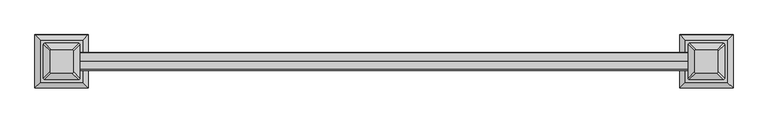
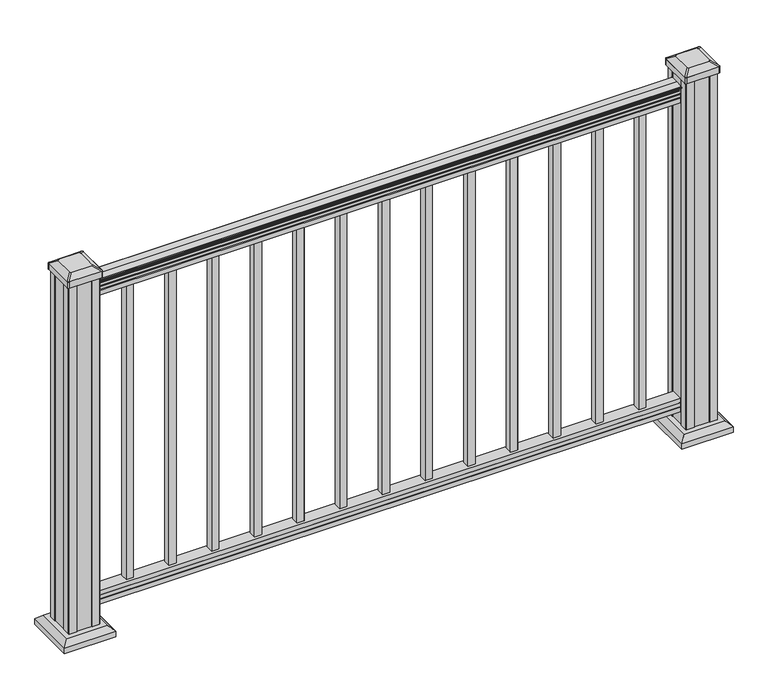
"""IFC4 building model written with IfcOpenShell, lengths in millimetres: railing geometry."""

from ifc_helpers import new_model, si_unit, point, frame, frame_2d, origin, origin_with_axes, place, context, project, spatial, polyline, circle_curve, trimmed, segment, composite_curve, outline, extrude, faceted_brep, source, transform, mapped, element, save
from ifc_brep_helpers import plane_surface, cylinder_surface, revolved_surface, extruded_surface, advanced_brep


def railing_a5a0e3ba(model_context):
    return source(origin(), model_context, "Body", "SolidModel", [
        advanced_brep(
        [(20175.9022099, -5768.9092591, 938.4043297), (20175.9022099, -5768.9092591, 940.292412), (20175.9022099, -5767.7790728, 941.8546695), (20175.9022099, -5767.7790728, 949.0726458), (20175.9022099, -5768.4283292, 951.5060812), (20175.9022099, -5765.9283292, 955.8362083), (20175.9022099, -5764.5189868, 957.5157972), (20175.9022099, -5764.1170878, 958.6205318), (20175.9022099, -5764.1170879, 959.9608158), (20175.9022099, -5765.6705351, 961.514263), (20175.9022099, -5786.3420879, 961.514263), (20175.9022099, -5807.0136406, 961.514263), (20175.9022099, -5808.5670879, 959.9608158), (20175.9022099, -5808.5670879, 958.6205318), (20175.9022099, -5808.1651889, 957.5157972), (20175.9022099, -5806.7558465, 955.8362083), (20175.9022099, -5804.2558465, 951.5060812), (20175.9022099, -5804.9051029, 949.0726458), (20175.9022099, -5804.9051029, 941.8546695), (20175.9022099, -5803.7749166, 940.292412), (20175.9022099, -5803.7749166, 938.4043297), (20175.9022099, -5801.2010879, 938.4043297), (20175.9022099, -5801.2010879, 927.9048283), (20175.9022099, -5802.2170879, 926.8888283), (20175.9022099, -5802.2170879, 914.4), (20175.9022099, -5770.4670879, 914.4), (20175.9022099, -5770.4670879, 926.731013), (20175.9022099, -5771.4830879, 927.747013), (20175.9022099, -5771.4830879, 938.4043297), (18651.9022099, -5768.9092591, 938.4043297), (18651.9022099, -5771.4830879, 938.4043297), (18651.9022099, -5771.4830879, 927.747013), (18651.9022099, -5770.4670879, 926.731013), (18651.9022099, -5770.4670879, 914.4), (18651.9022099, -5802.2170879, 914.4), (18651.9022099, -5802.2170879, 926.8888283), (18651.9022099, -5801.2010879, 927.9048283), (18651.9022099, -5801.2010879, 938.4043297), (18651.9022099, -5803.7749166, 938.4043297), (18651.9022099, -5803.7749166, 940.292412), (18651.9022099, -5804.9051029, 941.8546695), (18651.9022099, -5804.9051029, 949.0726458), (18651.9022099, -5804.2558465, 951.5060812), (18651.9022099, -5806.7558465, 955.8362083), (18651.9022099, -5808.1651889, 957.5157972), (18651.9022099, -5808.5670879, 958.6205318), (18651.9022099, -5808.5670879, 959.9608158), (18651.9022099, -5807.0136406, 961.514263), (18651.9022099, -5786.3420879, 961.514263), (18651.9022099, -5765.6705351, 961.514263), (18651.9022099, -5764.1170879, 959.9608158), (18651.9022099, -5764.1170879, 958.6205318), (18651.9022099, -5764.5189868, 957.5157972), (18651.9022099, -5765.9283292, 955.8362083), (18651.9022099, -5768.4283292, 951.5060812), (18651.9022099, -5767.7790728, 949.0726458), (18651.9022099, -5767.7790728, 941.8546695), (18651.9022099, -5768.9092591, 940.292412)],
        [
            (0, 1),
            (1, 2, circle_curve(frame((20175.9022099, -5775.2240124, 946.0506383), z_axis=(1.0, 0.0, 0.0), x_axis=(0.0, -1.0, 0.0)), 8.545951)),
            (2, 3, circle_curve(frame((20175.9022099, -5774.7869494, 945.4636577), z_axis=(1.0, 0.0, 0.0), x_axis=(0.0, -1.0, 0.0)), 7.882584)),
            (3, 4, circle_curve(frame((20175.9022099, -5764.2736253, 951.3112527), z_axis=(-1.0, 0.0, 0.0), x_axis=(0.0, -1.0, 0.0)), 4.1592695)),
            (4, 5, circle_curve(frame((20175.9022099, -5762.9863188, 951.2508864), z_axis=(-1.0, 0.0, 0.0), x_axis=(0.0, -1.0, 0.0)), 5.4479907)),
            (5, 6, circle_curve(frame((20175.9022099, -5764.2194772, 955.833395), z_axis=(-1.0, 0.0, 0.0), x_axis=(0.0, -1.0, 0.0)), 1.7088543)),
            (6, 7, circle_curve(frame((20175.9022099, -5765.8363773, 958.6205318), z_axis=(1.0, 0.0, 0.0), x_axis=(0.0, -1.0, 0.0)), 1.7192895)),
            (7, 8),
            (8, 9, circle_curve(frame((20175.9022099, -5765.6705351, 959.9608158), z_axis=(1.0, 0.0, 0.0), x_axis=(0.0, -1.0, 0.0)), 1.5534472)),
            (9, 10),
            (10, 11),
            (11, 12, circle_curve(frame((20175.9022099, -5807.0136406, 959.9608158), z_axis=(1.0, 0.0, 0.0), x_axis=(0.0, 1.0, 0.0)), 1.5534472)),
            (12, 13),
            (13, 14, circle_curve(frame((20175.9022099, -5806.8477984, 958.6205318), z_axis=(1.0, 0.0, 0.0), x_axis=(0.0, 1.0, 0.0)), 1.7192895)),
            (14, 15, circle_curve(frame((20175.9022099, -5808.4646985, 955.833395), z_axis=(-1.0, 0.0, 0.0), x_axis=(0.0, 1.0, 0.0)), 1.7088543)),
            (15, 16, circle_curve(frame((20175.9022099, -5809.697857, 951.2508864), z_axis=(-1.0, 0.0, 0.0), x_axis=(0.0, 1.0, 0.0)), 5.4479907)),
            (16, 17, circle_curve(frame((20175.9022099, -5808.4105504, 951.3112527), z_axis=(-1.0, 0.0, 0.0), x_axis=(0.0, 1.0, 0.0)), 4.1592695)),
            (17, 18, circle_curve(frame((20175.9022099, -5797.8972263, 945.4636577), z_axis=(1.0, 0.0, 0.0), x_axis=(0.0, 1.0, 0.0)), 7.882584)),
            (18, 19, circle_curve(frame((20175.9022099, -5797.4601633, 946.0506383), z_axis=(1.0, 0.0, 0.0), x_axis=(0.0, 1.0, 0.0)), 8.545951)),
            (19, 20),
            (20, 21, circle_curve(frame((20175.9022099, -5802.4880022, 938.4043297), z_axis=(1.0, 0.0, 0.0), x_axis=(0.0, 1.0, 0.0)), 1.2869144)),
            (21, 22),
            (22, 23),
            (23, 24),
            (24, 25),
            (25, 26),
            (26, 27),
            (27, 28),
            (28, 0, circle_curve(frame((20175.9022099, -5770.1961735, 938.4043297), z_axis=(1.0, 0.0, 0.0), x_axis=(0.0, -1.0, 0.0)), 1.2869144)),
            (29, 30, circle_curve(frame((18651.9022099, -5770.1961735, 938.4043297), z_axis=(-1.0, 0.0, 0.0), x_axis=(0.0, -1.0, 0.0)), 1.2869144)),
            (30, 31),
            (31, 32),
            (32, 33),
            (33, 34),
            (34, 35),
            (35, 36),
            (36, 37),
            (37, 38, circle_curve(frame((18651.9022099, -5802.4880022, 938.4043297), z_axis=(-1.0, 0.0, 0.0), x_axis=(0.0, 1.0, 0.0)), 1.2869144)),
            (38, 39),
            (39, 40, circle_curve(frame((18651.9022099, -5797.4601633, 946.0506383), z_axis=(-1.0, 0.0, 0.0), x_axis=(0.0, 1.0, 0.0)), 8.545951)),
            (40, 41, circle_curve(frame((18651.9022099, -5797.8972263, 945.4636577), z_axis=(-1.0, 0.0, 0.0), x_axis=(0.0, 1.0, 0.0)), 7.882584)),
            (41, 42, circle_curve(frame((18651.9022099, -5808.4105504, 951.3112527), z_axis=(1.0, 0.0, 0.0), x_axis=(0.0, 1.0, 0.0)), 4.1592695)),
            (42, 43, circle_curve(frame((18651.9022099, -5809.697857, 951.2508864), z_axis=(1.0, 0.0, 0.0), x_axis=(0.0, 1.0, 0.0)), 5.4479907)),
            (43, 44, circle_curve(frame((18651.9022099, -5808.4646985, 955.833395), z_axis=(1.0, 0.0, 0.0), x_axis=(0.0, 1.0, 0.0)), 1.7088543)),
            (44, 45, circle_curve(frame((18651.9022099, -5806.8477984, 958.6205318), z_axis=(-1.0, 0.0, 0.0), x_axis=(0.0, 1.0, 0.0)), 1.7192895)),
            (45, 46),
            (46, 47, circle_curve(frame((18651.9022099, -5807.0136406, 959.9608158), z_axis=(-1.0, 0.0, 0.0), x_axis=(0.0, 1.0, 0.0)), 1.5534472)),
            (47, 48),
            (48, 49),
            (49, 50, circle_curve(frame((18651.9022099, -5765.6705351, 959.9608158), z_axis=(-1.0, 0.0, 0.0), x_axis=(0.0, -1.0, 0.0)), 1.5534472)),
            (50, 51),
            (51, 52, circle_curve(frame((18651.9022099, -5765.8363773, 958.6205318), z_axis=(-1.0, 0.0, 0.0), x_axis=(0.0, -1.0, 0.0)), 1.7192895)),
            (52, 53, circle_curve(frame((18651.9022099, -5764.2194772, 955.833395), z_axis=(1.0, 0.0, 0.0), x_axis=(0.0, -1.0, 0.0)), 1.7088543)),
            (53, 54, circle_curve(frame((18651.9022099, -5762.9863188, 951.2508864), z_axis=(1.0, 0.0, 0.0), x_axis=(0.0, -1.0, 0.0)), 5.4479907)),
            (54, 55, circle_curve(frame((18651.9022099, -5764.2736253, 951.3112527), z_axis=(1.0, 0.0, 0.0), x_axis=(0.0, -1.0, 0.0)), 4.1592695)),
            (55, 56, circle_curve(frame((18651.9022099, -5774.7869494, 945.4636577), z_axis=(-1.0, 0.0, 0.0), x_axis=(0.0, -1.0, 0.0)), 7.882584)),
            (56, 57, circle_curve(frame((18651.9022099, -5775.2240124, 946.0506383), z_axis=(-1.0, 0.0, 0.0), x_axis=(0.0, -1.0, 0.0)), 8.545951)),
            (57, 29),
            (28, 30),
            (29, 0),
            (27, 31),
            (26, 32),
            (25, 33),
            (24, 34),
            (23, 35),
            (22, 36),
            (21, 37),
            (20, 38),
            (19, 39),
            (18, 40),
            (17, 41),
            (16, 42),
            (15, 43),
            (14, 44),
            (13, 45),
            (12, 46),
            (11, 47),
            (10, 48),
            (9, 49),
            (8, 50),
            (7, 51),
            (6, 52),
            (5, 53),
            (4, 54),
            (3, 55),
            (2, 56),
            (1, 57),
        ],
        [
            plane_surface(frame((20175.9022099, -5786.3420879, 914.4), z_axis=(1.0, 0.0, 0.0), x_axis=(0.0, -1.0, 0.0))),
            plane_surface(frame((18651.9022099, -5786.3420879, 914.4), z_axis=(-1.0, 0.0, 0.0), x_axis=(0.0, -1.0, 0.0))),
            cylinder_surface(frame((20175.9022099, -5770.1961735, 938.4043297), z_axis=(1.0, 0.0, 0.0), x_axis=(0.0, -1.0, 0.0)), 1.2869144),
            plane_surface(frame((20175.9022099, -5771.4830879, 927.747013), z_axis=(0.0, 1.0, 0.0), x_axis=(-1.0, 0.0, 0.0))),
            plane_surface(frame((20175.9022099, -5770.4670879, 926.731013), z_axis=(0.0, 0.7071067811865395, 0.7071067811865556), x_axis=(-1.0, 0.0, 0.0))),
            plane_surface(frame((20175.9022099, -5770.4670879, 914.4), z_axis=(0.0, 1.0, 0.0), x_axis=(-1.0, 0.0, 0.0))),
            plane_surface(frame((20175.9022099, -5802.2170879, 914.4), z_axis=(0.0, 0.0, -1.0), x_axis=(-1.0, 0.0, 0.0))),
            plane_surface(frame((20175.9022099, -5802.2170879, 926.8888283), z_axis=(0.0, -1.0, 0.0), x_axis=(-1.0, 0.0, 0.0))),
            plane_surface(frame((20175.9022099, -5801.2010879, 927.9048283), z_axis=(0.0, -0.7071067811865432, 0.707106781186552), x_axis=(-1.0, 0.0, 0.0))),
            plane_surface(frame((20175.9022099, -5801.2010879, 938.4043297), z_axis=(0.0, -1.0, 0.0), x_axis=(-1.0, 0.0, 0.0))),
            cylinder_surface(frame((20175.9022099, -5802.4880022, 938.4043297), z_axis=(1.0, 0.0, 0.0), x_axis=(0.0, 1.0, 0.0)), 1.2869144),
            plane_surface(frame((20175.9022099, -5803.7749166, 940.292412), z_axis=(0.0, -1.0, 0.0), x_axis=(-1.0, 0.0, 0.0))),
            cylinder_surface(frame((20175.9022099, -5797.4601633, 946.0506383), z_axis=(1.0, 0.0, 0.0), x_axis=(0.0, 1.0, 0.0)), 8.545951),
            cylinder_surface(frame((20175.9022099, -5797.8972263, 945.4636577), z_axis=(1.0, 0.0, 0.0), x_axis=(0.0, 1.0, 0.0)), 7.882584),
            revolved_surface(polyline([(18651.9022099, -5804.2512809, 951.3112527), (20175.9022099, -5804.2512809, 951.3112527)]), (20175.9022099, -5808.4105504, 951.3112527), (-1.0, 0.0, 0.0)),
            revolved_surface(polyline([(18651.9022099, -5804.2498663, 951.2508864), (20175.9022099, -5804.2498663, 951.2508864)]), (20175.9022099, -5809.697857, 951.2508864), (-1.0, 0.0, 0.0)),
            revolved_surface(polyline([(18651.9022099, -5806.7558442, 955.833395), (20175.9022099, -5806.7558442, 955.833395)]), (20175.9022099, -5808.4646985, 955.833395), (-1.0, 0.0, 0.0)),
            cylinder_surface(frame((20175.9022099, -5806.8477984, 958.6205318), z_axis=(1.0, 0.0, 0.0), x_axis=(0.0, 1.0, 0.0)), 1.7192895),
            plane_surface(frame((20175.9022099, -5808.5670879, 959.9608158), z_axis=(0.0, -1.0, 0.0), x_axis=(-1.0, 0.0, 0.0))),
            cylinder_surface(frame((20175.9022099, -5807.0136406, 959.9608158), z_axis=(1.0, 0.0, 0.0), x_axis=(0.0, 1.0, 0.0)), 1.5534472),
            plane_surface(frame((20175.9022099, -5786.3420879, 961.514263), z_axis=(0.0, 0.0, 1.0), x_axis=(-1.0, 0.0, 0.0))),
            plane_surface(frame((20175.9022099, -5765.6705351, 961.514263), z_axis=(0.0, 0.0, 1.0), x_axis=(-1.0, 0.0, 0.0))),
            cylinder_surface(frame((20175.9022099, -5765.6705351, 959.9608158), z_axis=(1.0, 0.0, 0.0), x_axis=(0.0, -1.0, 0.0)), 1.5534472),
            plane_surface(frame((20175.9022099, -5764.1170879, 958.6205318), z_axis=(0.0, 1.0, 0.0), x_axis=(-1.0, 0.0, 0.0))),
            cylinder_surface(frame((20175.9022099, -5765.8363773, 958.6205318), z_axis=(1.0, 0.0, 0.0), x_axis=(0.0, -1.0, 0.0)), 1.7192895),
            revolved_surface(polyline([(18651.9022099, -5765.9283315, 955.833395), (20175.9022099, -5765.9283315, 955.833395)]), (20175.9022099, -5764.2194772, 955.833395), (-1.0, 0.0, 0.0)),
            revolved_surface(polyline([(18651.9022099, -5768.4343095, 951.2508864), (20175.9022099, -5768.4343095, 951.2508864)]), (20175.9022099, -5762.9863188, 951.2508864), (-1.0, 0.0, 0.0)),
            revolved_surface(polyline([(18651.9022099, -5768.4328948, 951.3112527), (20175.9022099, -5768.4328948, 951.3112527)]), (20175.9022099, -5764.2736253, 951.3112527), (-1.0, 0.0, 0.0)),
            cylinder_surface(frame((20175.9022099, -5774.7869494, 945.4636577), z_axis=(1.0, 0.0, 0.0), x_axis=(0.0, -1.0, 0.0)), 7.882584),
            cylinder_surface(frame((20175.9022099, -5775.2240124, 946.0506383), z_axis=(1.0, 0.0, 0.0), x_axis=(0.0, -1.0, 0.0)), 8.545951),
            plane_surface(frame((20175.9022099, -5768.9092591, 938.4043297), z_axis=(0.0, 1.0, 0.0), x_axis=(-1.0, 0.0, 0.0))),
        ],
        [
            (0, [[1, 2, 3, 4, 5, 6, 7, 8, 9, 10, 11, 12, 13, 14, 15, 16, 17, 18, 19, 20, 21, 22, 23, 24, 25, 26, 27, 28, 29]]),
            (1, [[30, 31, 32, 33, 34, 35, 36, 37, 38, 39, 40, 41, 42, 43, 44, 45, 46, 47, 48, 49, 50, 51, 52, 53, 54, 55, 56, 57, 58]]),
            (2, [[-29, 59, -30, 60]]),
            (3, [[-28, 61, -31, -59]]),
            (4, [[-27, 62, -32, -61]]),
            (5, [[-26, 63, -33, -62]]),
            (6, [[-25, 64, -34, -63]]),
            (7, [[-24, 65, -35, -64]]),
            (8, [[-23, 66, -36, -65]]),
            (9, [[-22, 67, -37, -66]]),
            (10, [[-21, 68, -38, -67]]),
            (11, [[-20, 69, -39, -68]]),
            (12, [[-19, 70, -40, -69]]),
            (13, [[-18, 71, -41, -70]]),
            (14, [[-17, 72, -42, -71]]),
            (15, [[-16, 73, -43, -72]]),
            (16, [[-15, 74, -44, -73]]),
            (17, [[-14, 75, -45, -74]]),
            (18, [[-13, 76, -46, -75]]),
            (19, [[-12, 77, -47, -76]]),
            (20, [[-11, 78, -48, -77]]),
            (21, [[-10, 79, -49, -78]]),
            (22, [[-9, 80, -50, -79]]),
            (23, [[-8, 81, -51, -80]]),
            (24, [[-7, 82, -52, -81]]),
            (25, [[-6, 83, -53, -82]]),
            (26, [[-5, 84, -54, -83]]),
            (27, [[-4, 85, -55, -84]]),
            (28, [[-3, 86, -56, -85]]),
            (29, [[-2, 87, -57, -86]]),
            (30, [[-1, -60, -58, -87]]),
        ],
    ),
        faceted_brep([(20175.9022099, -5770.429601, 76.0541976), (20175.9022099, -5771.445601, 77.3546183), (20175.9022099, -5771.445601, 87.7141717), (20175.9022099, -5770.429601, 89.0624492), (20175.9022099, -5770.429601, 101.5958781), (20175.9022099, -5802.179601, 101.5958781), (20175.9022099, -5802.179601, 89.0458024), (20175.9022099, -5801.163601, 87.6975248), (20175.9022099, -5801.163601, 77.3858283), (20175.9022099, -5802.179601, 76.0375508), (20175.9022099, -5802.179601, 63.5), (20175.9022099, -5770.429601, 63.5), (18651.9022099, -5770.429601, 76.0541976), (18651.9022099, -5770.429601, 63.5), (18651.9022099, -5802.179601, 63.5), (18651.9022099, -5802.179601, 76.0375508), (18651.9022099, -5801.163601, 77.3858283), (18651.9022099, -5801.163601, 87.6975248), (18651.9022099, -5802.179601, 89.0458024), (18651.9022099, -5802.179601, 101.5958781), (18651.9022099, -5770.429601, 101.5958781), (18651.9022099, -5770.429601, 89.0624492), (18651.9022099, -5771.445601, 87.7141717), (18651.9022099, -5771.445601, 77.3546183)], [[[0, 1, 2, 3, 4, 5, 6, 7, 8, 9, 10, 11]], [[12, 13, 14, 15, 16, 17, 18, 19, 20, 21, 22, 23]], [[0, 11, 13, 12]], [[11, 10, 14, 13]], [[10, 9, 15, 14]], [[9, 8, 16, 15]], [[8, 7, 17, 16]], [[7, 6, 18, 17]], [[6, 5, 19, 18]], [[5, 4, 20, 19]], [[4, 3, 21, 20]], [[3, 2, 22, 21]], [[2, 1, 23, 22]], [[1, 0, 12, 23]]]),
        extrude(outline(polyline([(18756.4787724, -5776.8170879), (18756.4787724, -5795.8670879), (18737.4287724, -5795.8670879), (18737.4287724, -5776.8170879), (18756.4787724, -5776.8170879)]), holes=[polyline([(18756.0818974, -5777.2139629), (18737.8256474, -5777.2139629), (18737.8256474, -5795.4702129), (18756.0818974, -5795.4702129), (18756.0818974, -5777.2139629)])]), frame((0.0, 0.0, 101.5958781), z_axis=(0.0, 0.0, 1.0), x_axis=(1.0, 0.0, 0.0)), (0.0, 0.0, 1.0), 812.8041219),
        extrude(outline(polyline([(18867.6037724, -5776.8170879), (18867.6037724, -5795.8670879), (18848.5537724, -5795.8670879), (18848.5537724, -5776.8170879), (18867.6037724, -5776.8170879)]), holes=[polyline([(18867.2068974, -5777.2139629), (18848.9506474, -5777.2139629), (18848.9506474, -5795.4702129), (18867.2068974, -5795.4702129), (18867.2068974, -5777.2139629)])]), frame((0.0, 0.0, 101.5958781), z_axis=(0.0, 0.0, 1.0), x_axis=(1.0, 0.0, 0.0)), (0.0, 0.0, 1.0), 812.8041219),
        extrude(outline(polyline([(18978.7287724, -5776.8170879), (18978.7287724, -5795.8670879), (18959.6787724, -5795.8670879), (18959.6787724, -5776.8170879), (18978.7287724, -5776.8170879)]), holes=[polyline([(18978.3318974, -5777.2139629), (18960.0756474, -5777.2139629), (18960.0756474, -5795.4702129), (18978.3318974, -5795.4702129), (18978.3318974, -5777.2139629)])]), frame((0.0, 0.0, 101.5958781), z_axis=(0.0, 0.0, 1.0), x_axis=(1.0, 0.0, 0.0)), (0.0, 0.0, 1.0), 812.8041219),
        extrude(outline(polyline([(19089.8537724, -5776.8170879), (19089.8537724, -5795.8670879), (19070.8037724, -5795.8670879), (19070.8037724, -5776.8170879), (19089.8537724, -5776.8170879)]), holes=[polyline([(19089.4568974, -5777.2139629), (19071.2006474, -5777.2139629), (19071.2006474, -5795.4702129), (19089.4568974, -5795.4702129), (19089.4568974, -5777.2139629)])]), frame((0.0, 0.0, 101.5958781), z_axis=(0.0, 0.0, 1.0), x_axis=(1.0, 0.0, 0.0)), (0.0, 0.0, 1.0), 812.8041219),
        extrude(outline(polyline([(19200.9787724, -5776.8170879), (19200.9787724, -5795.8670879), (19181.9287724, -5795.8670879), (19181.9287724, -5776.8170879), (19200.9787724, -5776.8170879)]), holes=[polyline([(19200.5818974, -5777.2139629), (19182.3256474, -5777.2139629), (19182.3256474, -5795.4702129), (19200.5818974, -5795.4702129), (19200.5818974, -5777.2139629)])]), frame((0.0, 0.0, 101.5958781), z_axis=(0.0, 0.0, 1.0), x_axis=(1.0, 0.0, 0.0)), (0.0, 0.0, 1.0), 812.8041219),
        extrude(outline(polyline([(19312.1037724, -5776.8170879), (19312.1037724, -5795.8670879), (19293.0537724, -5795.8670879), (19293.0537724, -5776.8170879), (19312.1037724, -5776.8170879)]), holes=[polyline([(19311.7068974, -5777.2139629), (19293.4506474, -5777.2139629), (19293.4506474, -5795.4702129), (19311.7068974, -5795.4702129), (19311.7068974, -5777.2139629)])]), frame((0.0, 0.0, 101.5958781), z_axis=(0.0, 0.0, 1.0), x_axis=(1.0, 0.0, 0.0)), (0.0, 0.0, 1.0), 812.8041219),
        extrude(outline(polyline([(19423.2287724, -5776.8170879), (19423.2287724, -5795.8670879), (19404.1787724, -5795.8670879), (19404.1787724, -5776.8170879), (19423.2287724, -5776.8170879)]), holes=[polyline([(19422.8318974, -5777.2139629), (19404.5756474, -5777.2139629), (19404.5756474, -5795.4702129), (19422.8318974, -5795.4702129), (19422.8318974, -5777.2139629)])]), frame((0.0, 0.0, 101.5958781), z_axis=(0.0, 0.0, 1.0), x_axis=(1.0, 0.0, 0.0)), (0.0, 0.0, 1.0), 812.8041219),
        extrude(outline(polyline([(19534.3537724, -5776.8170879), (19534.3537724, -5795.8670879), (19515.3037724, -5795.8670879), (19515.3037724, -5776.8170879), (19534.3537724, -5776.8170879)]), holes=[polyline([(19533.9568974, -5777.2139629), (19515.7006474, -5777.2139629), (19515.7006474, -5795.4702129), (19533.9568974, -5795.4702129), (19533.9568974, -5777.2139629)])]), frame((0.0, 0.0, 101.5958781), z_axis=(0.0, 0.0, 1.0), x_axis=(1.0, 0.0, 0.0)), (0.0, 0.0, 1.0), 812.8041219),
        extrude(outline(polyline([(19645.4787724, -5776.8170879), (19645.4787724, -5795.8670879), (19626.4287724, -5795.8670879), (19626.4287724, -5776.8170879), (19645.4787724, -5776.8170879)]), holes=[polyline([(19645.0818974, -5777.2139629), (19626.8256474, -5777.2139629), (19626.8256474, -5795.4702129), (19645.0818974, -5795.4702129), (19645.0818974, -5777.2139629)])]), frame((0.0, 0.0, 101.5958781), z_axis=(0.0, 0.0, 1.0), x_axis=(1.0, 0.0, 0.0)), (0.0, 0.0, 1.0), 812.8041219),
        extrude(outline(polyline([(19756.6037724, -5776.8170879), (19756.6037724, -5795.8670879), (19737.5537724, -5795.8670879), (19737.5537724, -5776.8170879), (19756.6037724, -5776.8170879)]), holes=[polyline([(19756.2068974, -5777.2139629), (19737.9506474, -5777.2139629), (19737.9506474, -5795.4702129), (19756.2068974, -5795.4702129), (19756.2068974, -5777.2139629)])]), frame((0.0, 0.0, 101.5958781), z_axis=(0.0, 0.0, 1.0), x_axis=(1.0, 0.0, 0.0)), (0.0, 0.0, 1.0), 812.8041219),
        extrude(outline(polyline([(19867.7287724, -5776.8170879), (19867.7287724, -5795.8670879), (19848.6787724, -5795.8670879), (19848.6787724, -5776.8170879), (19867.7287724, -5776.8170879)]), holes=[polyline([(19867.3318974, -5777.2139629), (19849.0756474, -5777.2139629), (19849.0756474, -5795.4702129), (19867.3318974, -5795.4702129), (19867.3318974, -5777.2139629)])]), frame((0.0, 0.0, 101.5958781), z_axis=(0.0, 0.0, 1.0), x_axis=(1.0, 0.0, 0.0)), (0.0, 0.0, 1.0), 812.8041219),
        extrude(outline(polyline([(19978.8537724, -5776.8170879), (19978.8537724, -5795.8670879), (19959.8037724, -5795.8670879), (19959.8037724, -5776.8170879), (19978.8537724, -5776.8170879)]), holes=[polyline([(19978.4568974, -5777.2139629), (19960.2006474, -5777.2139629), (19960.2006474, -5795.4702129), (19978.4568974, -5795.4702129), (19978.4568974, -5777.2139629)])]), frame((0.0, 0.0, 101.5958781), z_axis=(0.0, 0.0, 1.0), x_axis=(1.0, 0.0, 0.0)), (0.0, 0.0, 1.0), 812.8041219),
        extrude(outline(polyline([(20089.9787724, -5776.8170879), (20089.9787724, -5795.8670879), (20070.9287724, -5795.8670879), (20070.9287724, -5776.8170879), (20089.9787724, -5776.8170879)]), holes=[polyline([(20089.5818974, -5777.2139629), (20071.3256474, -5777.2139629), (20071.3256474, -5795.4702129), (20089.5818974, -5795.4702129), (20089.5818974, -5777.2139629)])]), frame((0.0, 0.0, 101.5958781), z_axis=(0.0, 0.0, 1.0), x_axis=(1.0, 0.0, 0.0)), (0.0, 0.0, 1.0), 812.8041219),
        faceted_brep([(18663.2131474, -5733.7561504, 28.575), (18558.0412724, -5733.7561504, 28.575), (18558.0412724, -5838.9280254, 28.575), (18663.2131474, -5838.9280254, 28.575), (18677.2526005, -5719.7166972, 15.24), (18677.2526005, -5852.9674785, 15.24), (18544.0018192, -5852.9674785, 15.24), (18544.0018192, -5719.7166972, 15.24)], [[[0, 1, 2, 3]], [[4, 5, 6, 7]], [[4, 0, 3, 5]], [[5, 3, 2, 6]], [[6, 2, 1, 7]], [[7, 1, 0, 4]]]),
        extrude(outline(polyline([(18677.2526005, -5719.7166972), (18677.2526005, -5852.9674785), (18544.0018192, -5852.9674785), (18544.0018192, -5719.7166972), (18677.2526005, -5719.7166972)])), origin_with_axes(), (0.0, 0.0, 1.0), 15.24),
        advanced_brep(
        [(18639.5990849, -5812.1389629, 1012.825), (18639.5990849, -5760.5452129, 1012.825), (18636.4240849, -5757.3702129, 1012.825), (18584.8303349, -5757.3702129, 1012.825), (18581.6553349, -5760.5452129, 1012.825), (18581.6553349, -5812.1389629, 1012.825), (18584.8303349, -5815.3139629, 1012.825), (18636.4240849, -5815.3139629, 1012.825), (18655.8709599, -5828.4108379, 1001.522), (18652.6959599, -5831.5858379, 1001.522), (18568.5584599, -5831.5858379, 1001.522), (18565.3834599, -5828.4108379, 1001.522), (18565.3834599, -5744.2733379, 1001.522), (18568.5584599, -5741.0983379, 1001.522), (18652.6959599, -5741.0983379, 1001.522), (18655.8709599, -5744.2733379, 1001.522)],
        [
            (0, 1),
            (1, 2, circle_curve(frame((18636.4240849, -5760.5452129, 1012.825), z_axis=(0.0, 0.0, 1.0), x_axis=(-1.0, 0.0, 0.0)), 3.175)),
            (2, 3),
            (3, 4, circle_curve(frame((18584.8303349, -5760.5452129, 1012.825), z_axis=(0.0, 0.0, 1.0), x_axis=(-1.0, 0.0, 0.0)), 3.175)),
            (4, 5),
            (5, 6, circle_curve(frame((18584.8303349, -5812.1389629, 1012.825), z_axis=(0.0, 0.0, 1.0), x_axis=(-1.0, 0.0, 0.0)), 3.175)),
            (6, 7),
            (7, 0, circle_curve(frame((18636.4240849, -5812.1389629, 1012.825), z_axis=(0.0, 0.0, 1.0), x_axis=(-1.0, 0.0, 0.0)), 3.175)),
            (8, 9, circle_curve(frame((18652.6959599, -5828.4108379, 1001.522), z_axis=(0.0, 0.0, -1.0), x_axis=(-1.0, 0.0, 0.0)), 3.175)),
            (9, 10),
            (10, 11, circle_curve(frame((18568.5584599, -5828.4108379, 1001.522), z_axis=(0.0, 0.0, -1.0), x_axis=(-1.0, 0.0, 0.0)), 3.175)),
            (11, 12),
            (12, 13, circle_curve(frame((18568.5584599, -5744.2733379, 1001.522), z_axis=(0.0, 0.0, -1.0), x_axis=(-1.0, 0.0, 0.0)), 3.175)),
            (13, 14),
            (14, 15, circle_curve(frame((18652.6959599, -5744.2733379, 1001.522), z_axis=(0.0, 0.0, -1.0), x_axis=(-1.0, 0.0, 0.0)), 3.175)),
            (15, 8),
            (8, 0),
            (7, 9),
            (6, 10),
            (5, 11),
            (4, 12),
            (3, 13),
            (2, 14),
            (1, 15),
        ],
        [
            plane_surface(frame((18610.6272099, -5786.3420879, 1012.825), z_axis=(0.0, 0.0, 1.0), x_axis=(0.0, -1.0, 0.0))),
            plane_surface(frame((18610.6272099, -5786.3420879, 1001.522), z_axis=(0.0, 0.0, -1.0), x_axis=(0.0, -1.0, 0.0))),
            extruded_surface(trimmed(circle_curve(frame((18636.4240849, -5812.1389629, 1012.825), z_axis=(0.0, 0.0, -1.0), x_axis=(-1.0, 0.0, 0.0)), 3.175), [point((18639.5990849, -5812.1389629, 1012.825))], [point((18636.4240849, -5815.3139629, 1012.825))], True, "CARTESIAN"), (16.271874999998545, -16.271875000000364, -11.302999999999997), 25.637972638865467),
            plane_surface(frame((18610.6272099, -5831.5858379, 1001.522), z_axis=(0.0, -0.5705009161540779, 0.8212969649690408), x_axis=(-1.0, 0.0, 0.0))),
            extruded_surface(trimmed(circle_curve(frame((18584.8303349, -5812.1389629, 1012.825), z_axis=(0.0, 0.0, -1.0), x_axis=(-1.0, 0.0, 0.0)), 3.175), [point((18584.8303349, -5815.3139629, 1012.825))], [point((18581.6553349, -5812.1389629, 1012.825))], True, "CARTESIAN"), (-16.271875000002183, -16.271875000000364, -11.302999999999997), 25.63797263886778),
            plane_surface(frame((18565.3834599, -5786.3420879, 1001.522), z_axis=(-0.5705009161540291, 0.0, 0.8212969649690747), x_axis=(0.0, 1.0, 0.0))),
            extruded_surface(trimmed(circle_curve(frame((18584.8303349, -5760.5452129, 1012.825), z_axis=(0.0, 0.0, -1.0), x_axis=(-1.0, 0.0, 0.0)), 3.175), [point((18581.6553349, -5760.5452129, 1012.825))], [point((18584.8303349, -5757.3702129, 1012.825))], True, "CARTESIAN"), (-16.271875000002183, 16.271874999999454, -11.302999999999997), 25.6379726388672),
            plane_surface(frame((18610.6272099, -5741.0983379, 1001.522), z_axis=(0.0, 0.5705009161540141, 0.8212969649690851), x_axis=(1.0, 0.0, 0.0))),
            extruded_surface(trimmed(circle_curve(frame((18636.4240849, -5760.5452129, 1012.825), z_axis=(0.0, 0.0, -1.0), x_axis=(-1.0, 0.0, 0.0)), 3.175), [point((18636.4240849, -5757.3702129, 1012.825))], [point((18639.5990849, -5760.5452129, 1012.825))], True, "CARTESIAN"), (16.271874999998545, 16.271874999999454, -11.302999999999997), 25.63797263886489),
            plane_surface(frame((18655.8709599, -5786.3420879, 1001.522), z_axis=(0.570500916154034, 0.0, 0.8212969649690713), x_axis=(0.0, -1.0, 0.0))),
        ],
        [
            (0, [[1, 2, 3, 4, 5, 6, 7, 8]]),
            (1, [[9, 10, 11, 12, 13, 14, 15, 16]]),
            (2, [[17, -8, 18, -9]]),
            (3, [[-18, -7, 19, -10]]),
            (4, [[-19, -6, 20, -11]]),
            (5, [[-20, -5, 21, -12]]),
            (6, [[-21, -4, 22, -13]]),
            (7, [[-22, -3, 23, -14]]),
            (8, [[-23, -2, 24, -15]]),
            (9, [[-24, -1, -17, -16]]),
        ],
    ),
        extrude(outline(composite_curve([segment(trimmed(circle_curve(frame_2d((18652.6959599, -5828.4108379)), 3.175), [point((18655.8709599, -5828.4108379))], [point((18652.6959599, -5831.5858379))], False, "CARTESIAN"), True, "CONTINUOUS"), segment(polyline([(18652.6959599, -5831.5858379), (18568.5584599, -5831.5858379)]), True, "CONTINUOUS"), segment(trimmed(circle_curve(frame_2d((18568.5584599, -5828.4108379)), 3.175), [point((18568.5584599, -5831.5858379))], [point((18565.3834599, -5828.4108379))], False, "CARTESIAN"), True, "CONTINUOUS"), segment(polyline([(18565.3834599, -5828.4108379), (18565.3834599, -5744.2733379)]), True, "CONTINUOUS"), segment(trimmed(circle_curve(frame_2d((18568.5584599, -5744.2733379)), 3.175), [point((18565.3834599, -5744.2733379))], [point((18568.5584599, -5741.0983379))], False, "CARTESIAN"), True, "CONTINUOUS"), segment(polyline([(18568.5584599, -5741.0983379), (18652.6959599, -5741.0983379)]), True, "CONTINUOUS"), segment(trimmed(circle_curve(frame_2d((18652.6959599, -5744.2733379)), 3.175), [point((18652.6959599, -5741.0983379))], [point((18655.8709599, -5744.2733379))], False, "CARTESIAN"), True, "CONTINUOUS"), segment(polyline([(18655.8709599, -5744.2733379), (18655.8709599, -5828.4108379)]), True, "CONTINUOUS")], self_intersect=False)), frame((0.0, 0.0, 984.25), z_axis=(0.0, 0.0, 1.0), x_axis=(1.0, 0.0, 0.0)), (0.0, 0.0, 1.0), 17.272),
        extrude(outline(polyline([(18651.9022099, -5826.0295879), (18650.3147099, -5827.6170879), (18630.6932099, -5827.6170879), (18629.9312099, -5826.0295879), (18591.3232099, -5826.0295879), (18590.5612099, -5827.6170879), (18570.9397099, -5827.6170879), (18569.3522099, -5826.0295879), (18569.3522099, -5806.4080879), (18570.9397099, -5805.6460879), (18570.9397099, -5767.0380879), (18569.3522099, -5766.2760879), (18569.3522099, -5746.6545879), (18570.9397099, -5745.0670879), (18590.5612099, -5745.0670879), (18591.3232099, -5746.6545879), (18629.9312099, -5746.6545879), (18630.6932099, -5745.0670879), (18650.3147099, -5745.0670879), (18651.9022099, -5746.6545879), (18651.9022099, -5766.2760879), (18650.3147099, -5767.0380879), (18650.3147099, -5805.6460879), (18651.9022099, -5806.4080879), (18651.9022099, -5826.0295879)])), origin_with_axes(), (0.0, 0.0, 1.0), 984.25),
        faceted_brep([(20269.7631474, -5733.7561504, 28.575), (20164.5912724, -5733.7561504, 28.575), (20164.5912724, -5838.9280254, 28.575), (20269.7631474, -5838.9280254, 28.575), (20283.8026005, -5719.7166972, 15.24), (20283.8026005, -5852.9674785, 15.24), (20150.5518192, -5852.9674785, 15.24), (20150.5518192, -5719.7166972, 15.24)], [[[0, 1, 2, 3]], [[4, 5, 6, 7]], [[4, 0, 3, 5]], [[5, 3, 2, 6]], [[6, 2, 1, 7]], [[7, 1, 0, 4]]]),
        extrude(outline(polyline([(20283.8026005, -5719.7166972), (20283.8026005, -5852.9674785), (20150.5518192, -5852.9674785), (20150.5518192, -5719.7166972), (20283.8026005, -5719.7166972)])), origin_with_axes(), (0.0, 0.0, 1.0), 15.24),
        advanced_brep(
        [(20246.1490849, -5812.1389629, 1012.825), (20246.1490849, -5760.5452129, 1012.825), (20242.9740849, -5757.3702129, 1012.825), (20191.3803349, -5757.3702129, 1012.825), (20188.2053349, -5760.5452129, 1012.825), (20188.2053349, -5812.1389629, 1012.825), (20191.3803349, -5815.3139629, 1012.825), (20242.9740849, -5815.3139629, 1012.825), (20262.4209599, -5828.4108379, 1001.522), (20259.2459599, -5831.5858379, 1001.522), (20175.1084599, -5831.5858379, 1001.522), (20171.9334599, -5828.4108379, 1001.522), (20171.9334599, -5744.2733379, 1001.522), (20175.1084599, -5741.0983379, 1001.522), (20259.2459599, -5741.0983379, 1001.522), (20262.4209599, -5744.2733379, 1001.522)],
        [
            (0, 1),
            (1, 2, circle_curve(frame((20242.9740849, -5760.5452129, 1012.825), z_axis=(0.0, 0.0, 1.0), x_axis=(-1.0, 0.0, 0.0)), 3.175)),
            (2, 3),
            (3, 4, circle_curve(frame((20191.3803349, -5760.5452129, 1012.825), z_axis=(0.0, 0.0, 1.0), x_axis=(-1.0, 0.0, 0.0)), 3.175)),
            (4, 5),
            (5, 6, circle_curve(frame((20191.3803349, -5812.1389629, 1012.825), z_axis=(0.0, 0.0, 1.0), x_axis=(-1.0, 0.0, 0.0)), 3.175)),
            (6, 7),
            (7, 0, circle_curve(frame((20242.9740849, -5812.1389629, 1012.825), z_axis=(0.0, 0.0, 1.0), x_axis=(-1.0, 0.0, 0.0)), 3.175)),
            (8, 9, circle_curve(frame((20259.2459599, -5828.4108379, 1001.522), z_axis=(0.0, 0.0, -1.0), x_axis=(-1.0, 0.0, 0.0)), 3.175)),
            (9, 10),
            (10, 11, circle_curve(frame((20175.1084599, -5828.4108379, 1001.522), z_axis=(0.0, 0.0, -1.0), x_axis=(-1.0, 0.0, 0.0)), 3.175)),
            (11, 12),
            (12, 13, circle_curve(frame((20175.1084599, -5744.2733379, 1001.522), z_axis=(0.0, 0.0, -1.0), x_axis=(-1.0, 0.0, 0.0)), 3.175)),
            (13, 14),
            (14, 15, circle_curve(frame((20259.2459599, -5744.2733379, 1001.522), z_axis=(0.0, 0.0, -1.0), x_axis=(-1.0, 0.0, 0.0)), 3.175)),
            (15, 8),
            (8, 0),
            (7, 9),
            (6, 10),
            (5, 11),
            (4, 12),
            (3, 13),
            (2, 14),
            (1, 15),
        ],
        [
            plane_surface(frame((20217.1772099, -5786.3420879, 1012.825), z_axis=(0.0, 0.0, 1.0), x_axis=(0.0, -1.0, 0.0))),
            plane_surface(frame((20217.1772099, -5786.3420879, 1001.522), z_axis=(0.0, 0.0, -1.0), x_axis=(0.0, -1.0, 0.0))),
            extruded_surface(trimmed(circle_curve(frame((20242.9740849, -5812.1389629, 1012.825), z_axis=(0.0, 0.0, -1.0), x_axis=(-1.0, 0.0, 0.0)), 3.175), [point((20246.1490849, -5812.1389629, 1012.825))], [point((20242.9740849, -5815.3139629, 1012.825))], True, "CARTESIAN"), (16.271874999998545, -16.271875000000364, -11.302999999999997), 25.637972638865467),
            plane_surface(frame((20217.1772099, -5831.5858379, 1001.522), z_axis=(0.0, -0.5705009161540779, 0.8212969649690408), x_axis=(-1.0, 0.0, 0.0))),
            extruded_surface(trimmed(circle_curve(frame((20191.3803349, -5812.1389629, 1012.825), z_axis=(0.0, 0.0, -1.0), x_axis=(-1.0, 0.0, 0.0)), 3.175), [point((20191.3803349, -5815.3139629, 1012.825))], [point((20188.2053349, -5812.1389629, 1012.825))], True, "CARTESIAN"), (-16.271875000002183, -16.271875000000364, -11.302999999999997), 25.63797263886778),
            plane_surface(frame((20171.9334599, -5786.3420879, 1001.522), z_axis=(-0.5705009161540291, 0.0, 0.8212969649690747), x_axis=(0.0, 1.0, 0.0))),
            extruded_surface(trimmed(circle_curve(frame((20191.3803349, -5760.5452129, 1012.825), z_axis=(0.0, 0.0, -1.0), x_axis=(-1.0, 0.0, 0.0)), 3.175), [point((20188.2053349, -5760.5452129, 1012.825))], [point((20191.3803349, -5757.3702129, 1012.825))], True, "CARTESIAN"), (-16.271875000002183, 16.271874999999454, -11.302999999999997), 25.6379726388672),
            plane_surface(frame((20217.1772099, -5741.0983379, 1001.522), z_axis=(0.0, 0.5705009161540141, 0.8212969649690851), x_axis=(1.0, 0.0, 0.0))),
            extruded_surface(trimmed(circle_curve(frame((20242.9740849, -5760.5452129, 1012.825), z_axis=(0.0, 0.0, -1.0), x_axis=(-1.0, 0.0, 0.0)), 3.175), [point((20242.9740849, -5757.3702129, 1012.825))], [point((20246.1490849, -5760.5452129, 1012.825))], True, "CARTESIAN"), (16.271874999998545, 16.271874999999454, -11.302999999999997), 25.63797263886489),
            plane_surface(frame((20262.4209599, -5786.3420879, 1001.522), z_axis=(0.570500916154034, 0.0, 0.8212969649690713), x_axis=(0.0, -1.0, 0.0))),
        ],
        [
            (0, [[1, 2, 3, 4, 5, 6, 7, 8]]),
            (1, [[9, 10, 11, 12, 13, 14, 15, 16]]),
            (2, [[17, -8, 18, -9]]),
            (3, [[-18, -7, 19, -10]]),
            (4, [[-19, -6, 20, -11]]),
            (5, [[-20, -5, 21, -12]]),
            (6, [[-21, -4, 22, -13]]),
            (7, [[-22, -3, 23, -14]]),
            (8, [[-23, -2, 24, -15]]),
            (9, [[-24, -1, -17, -16]]),
        ],
    ),
        extrude(outline(composite_curve([segment(trimmed(circle_curve(frame_2d((20259.2459599, -5828.4108379)), 3.175), [point((20262.4209599, -5828.4108379))], [point((20259.2459599, -5831.5858379))], False, "CARTESIAN"), True, "CONTINUOUS"), segment(polyline([(20259.2459599, -5831.5858379), (20175.1084599, -5831.5858379)]), True, "CONTINUOUS"), segment(trimmed(circle_curve(frame_2d((20175.1084599, -5828.4108379)), 3.175), [point((20175.1084599, -5831.5858379))], [point((20171.9334599, -5828.4108379))], False, "CARTESIAN"), True, "CONTINUOUS"), segment(polyline([(20171.9334599, -5828.4108379), (20171.9334599, -5744.2733379)]), True, "CONTINUOUS"), segment(trimmed(circle_curve(frame_2d((20175.1084599, -5744.2733379)), 3.175), [point((20171.9334599, -5744.2733379))], [point((20175.1084599, -5741.0983379))], False, "CARTESIAN"), True, "CONTINUOUS"), segment(polyline([(20175.1084599, -5741.0983379), (20259.2459599, -5741.0983379)]), True, "CONTINUOUS"), segment(trimmed(circle_curve(frame_2d((20259.2459599, -5744.2733379)), 3.175), [point((20259.2459599, -5741.0983379))], [point((20262.4209599, -5744.2733379))], False, "CARTESIAN"), True, "CONTINUOUS"), segment(polyline([(20262.4209599, -5744.2733379), (20262.4209599, -5828.4108379)]), True, "CONTINUOUS")], self_intersect=False)), frame((0.0, 0.0, 984.25), z_axis=(0.0, 0.0, 1.0), x_axis=(1.0, 0.0, 0.0)), (0.0, 0.0, 1.0), 17.272),
        extrude(outline(polyline([(20258.4522099, -5826.0295879), (20256.8647099, -5827.6170879), (20237.2432099, -5827.6170879), (20236.4812099, -5826.0295879), (20197.8732099, -5826.0295879), (20197.1112099, -5827.6170879), (20177.4897099, -5827.6170879), (20175.9022099, -5826.0295879), (20175.9022099, -5806.4080879), (20177.4897099, -5805.6460879), (20177.4897099, -5767.0380879), (20175.9022099, -5766.2760879), (20175.9022099, -5746.6545879), (20177.4897099, -5745.0670879), (20197.1112099, -5745.0670879), (20197.8732099, -5746.6545879), (20236.4812099, -5746.6545879), (20237.2432099, -5745.0670879), (20256.8647099, -5745.0670879), (20258.4522099, -5746.6545879), (20258.4522099, -5766.2760879), (20256.8647099, -5767.0380879), (20256.8647099, -5805.6460879), (20258.4522099, -5806.4080879), (20258.4522099, -5826.0295879)])), origin_with_axes(), (0.0, 0.0, 1.0), 984.25),
    ])


if __name__ == "__main__":
    model = new_model("IFC4")
    model_context = context("Model", 3, world=origin())
    ifc_project = project(units=[si_unit("LENGTHUNIT", "METRE", prefix="MILLI")], contexts=[model_context])
    site = spatial("IfcSite", under=ifc_project)
    building = spatial("IfcBuilding", under=site)
    placement = place(None, origin())
    railing_shape = railing_a5a0e3ba(model_context)
    element("IfcRailing", 1, at=placement, inside=building, context=model_context, shape_type="MappedRepresentation", body=[
        mapped(railing_shape, transform((0.0, 0.0, 0.0), x_axis=(1.0, 0.0, 0.0), y_axis=(0.0, 1.0, 0.0), z_axis=(0.0, 0.0, 1.0))),
    ])
    save(model, "model.ifc")
